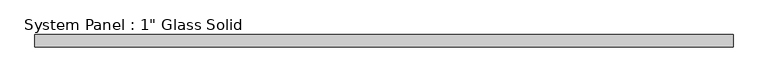
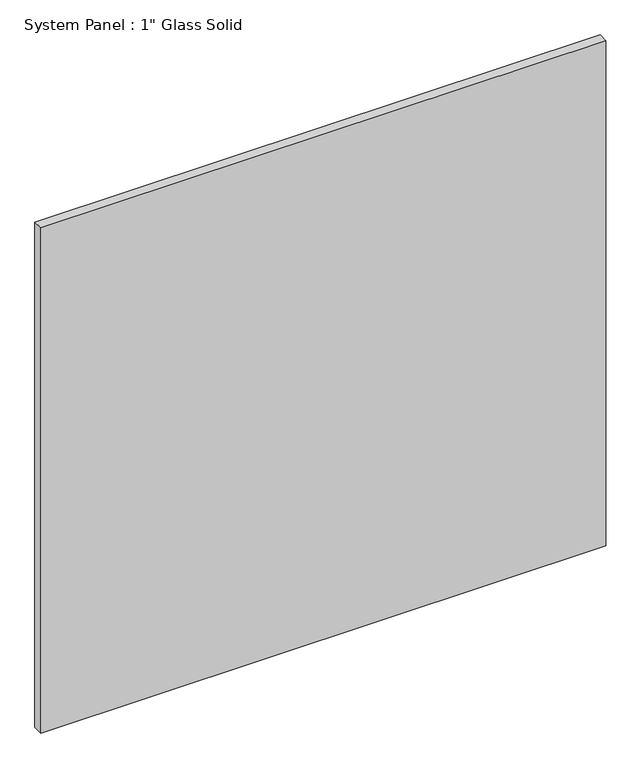
"""IFC4 building model written with IfcOpenShell, lengths in millimetres: plate geometry."""

from ifc_helpers import new_model, si_unit, origin, origin_with_axes, place, context, project, spatial, polyline, outline, extrude, source, transform, mapped, element, save


def plate_8a3e7bb7(model_context):
    return source(origin(), model_context, "Body", "SweptSolid", [
        extrude(outline(polyline([(715.4342185, -12.7), (-715.4342185, -12.7), (-715.4342185, 12.7), (715.4342185, 12.7), (715.4342185, -12.7)])), origin_with_axes(), (0.0, 0.0, 1.0), 1352.6641382),
    ])


if __name__ == "__main__":
    model = new_model("IFC4")
    model_context = context("Model", 3, world=origin())
    ifc_project = project(units=[si_unit("LENGTHUNIT", "METRE", prefix="MILLI")], contexts=[model_context])
    site = spatial("IfcSite", under=ifc_project)
    building = spatial("IfcBuilding", under=site)
    placement = place(None, origin())
    plate_shape = plate_8a3e7bb7(model_context)
    element("IfcPlate", 1, ObjectType="System Panel : 1\" Glass Solid", at=placement, inside=building, context=model_context, shape_type="MappedRepresentation", body=[
        mapped(plate_shape, transform((0.0, 0.0, 0.0), x_axis=(1.0, 0.0, 0.0), y_axis=(0.0, 1.0, 0.0), z_axis=(0.0, 0.0, 1.0))),
    ])
    save(model, "model.ifc")
